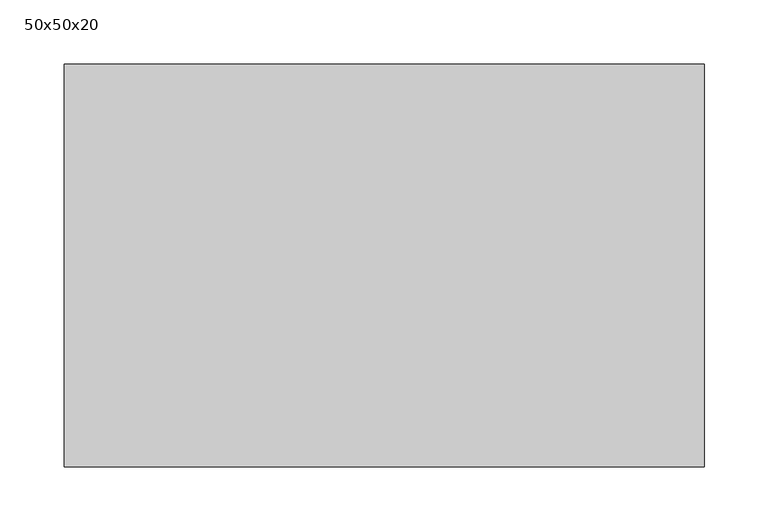
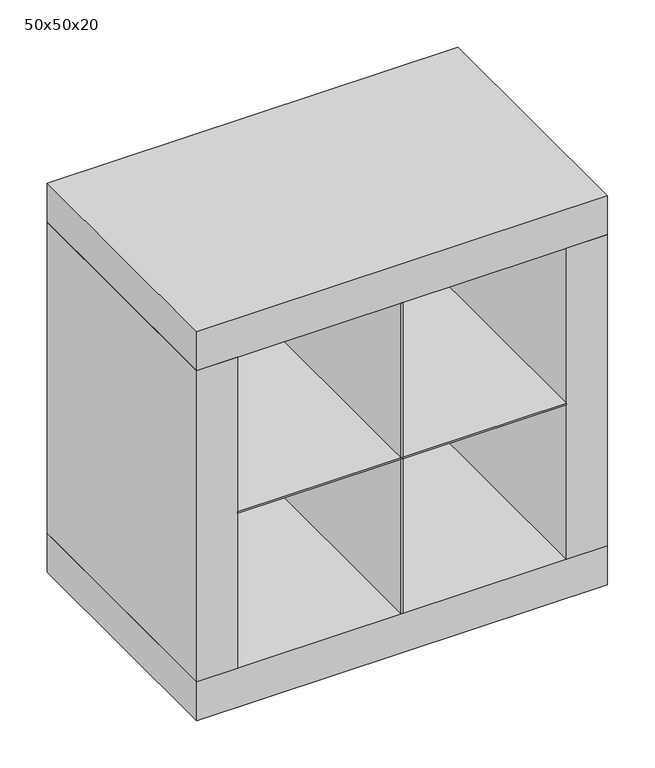
"""IFC4 building model written with IfcOpenShell, lengths in millimetres: proxy geometry, 50x50x20."""

from ifc_helpers import new_model, si_unit, frame, origin, place, context, project, spatial, polyline, outline, extrude, source, transform, mapped, element, save


def proxy_50x50x20_748bf02b(model_context):
    return source(origin(), model_context, "Body", "SweptSolid", [
        extrude(outline(polyline([(271.0, -465.0), (269.0, -465.0), (269.0, -150.0), (271.0, -150.0), (271.0, -465.0)])), frame((0.0, 0.0, 550.0), z_axis=(0.0, 0.0, 1.0), x_axis=(1.0, 0.0, 0.0)), (0.0, 0.0, 1.0), 199.0),
        extrude(outline(polyline([(271.0, -465.0), (269.0, -465.0), (269.0, -150.0), (271.0, -150.0), (271.0, -465.0)])), frame((0.0, 0.0, 751.0), z_axis=(0.0, 0.0, 1.0), x_axis=(1.0, 0.0, 0.0)), (0.0, 0.0, 1.0), 199.0),
        extrude(outline(polyline([(470.0, -465.0), (70.0, -465.0), (70.0, -150.0), (470.0, -150.0), (470.0, -465.0)])), frame((0.0, 0.0, 749.0), z_axis=(0.0, 0.0, 1.0), x_axis=(1.0, 0.0, 0.0)), (0.0, 0.0, 1.0), 2.0),
        extrude(outline(polyline([(520.0, -465.0), (470.0, -465.0), (470.0, -150.0), (520.0, -150.0), (520.0, -465.0)])), frame((0.0, 0.0, 550.0), z_axis=(0.0, 0.0, 1.0), x_axis=(1.0, 0.0, 0.0)), (0.0, 0.0, 1.0), 400.0),
        extrude(outline(polyline([(70.0, -465.0), (20.0, -465.0), (20.0, -150.0), (70.0, -150.0), (70.0, -465.0)])), frame((0.0, 0.0, 550.0), z_axis=(0.0, 0.0, 1.0), x_axis=(1.0, 0.0, 0.0)), (0.0, 0.0, 1.0), 400.0),
        extrude(outline(polyline([(520.0, -465.0), (20.0, -465.0), (20.0, -150.0), (520.0, -150.0), (520.0, -465.0)])), frame((0.0, 0.0, 500.0), z_axis=(0.0, 0.0, 1.0), x_axis=(1.0, 0.0, 0.0)), (0.0, 0.0, 1.0), 50.0),
        extrude(outline(polyline([(520.0, -465.0), (20.0, -465.0), (20.0, -150.0), (520.0, -150.0), (520.0, -465.0)])), frame((0.0, 0.0, 950.0), z_axis=(0.0, 0.0, 1.0), x_axis=(1.0, 0.0, 0.0)), (0.0, 0.0, 1.0), 50.0),
    ])


if __name__ == "__main__":
    model = new_model("IFC4")
    model_context = context("Model", 3, world=origin())
    ifc_project = project(units=[si_unit("LENGTHUNIT", "METRE", prefix="MILLI")], contexts=[model_context])
    site = spatial("IfcSite", under=ifc_project)
    building = spatial("IfcBuilding", under=site)
    placement = place(None, origin())
    proxy_50x50x20_shape = proxy_50x50x20_748bf02b(model_context)
    element("IfcBuildingElementProxy", 1, Name="50x50x20", ObjectType="50x50x20", at=placement, inside=building, context=model_context, shape_type="MappedRepresentation", body=[
        mapped(proxy_50x50x20_shape, transform((0.0, 0.0, 0.0), x_axis=(1.0, 0.0, 0.0), y_axis=(0.0, 1.0, 0.0), z_axis=(0.0, 0.0, 1.0))),
    ])
    save(model, "model.ifc")
